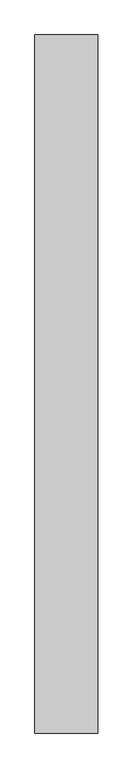
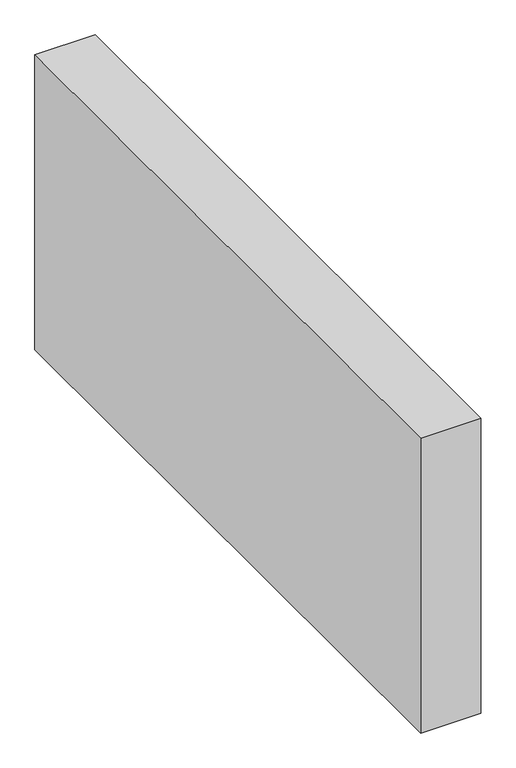
"""IFC4 building model written with IfcOpenShell, lengths in millimetres: proxy geometry."""

from ifc_helpers import new_model, si_unit, origin, origin_with_axes, place, context, project, spatial, polyline, outline, extrude, source, transform, mapped, element, save


def generic_models_3baf9605(model_context):
    return source(origin(), model_context, "Body", "SweptSolid", [
        extrude(outline(polyline([(150.0, 1664.9312868), (150.0, 0.0), (0.0, 0.0), (0.0, 1664.9312868), (150.0, 1664.9312868)])), origin_with_axes(), (0.0, 0.0, 1.0), 776.6553396),
    ])


if __name__ == "__main__":
    model = new_model("IFC4")
    model_context = context("Model", 3, world=origin())
    ifc_project = project(units=[si_unit("LENGTHUNIT", "METRE", prefix="MILLI")], contexts=[model_context])
    site = spatial("IfcSite", under=ifc_project)
    building = spatial("IfcBuilding", under=site)
    placement = place(None, origin())
    generic_models_shape = generic_models_3baf9605(model_context)
    element("IfcBuildingElementProxy", 1, Name="Generic Models", at=placement, inside=building, context=model_context, shape_type="MappedRepresentation", body=[
        mapped(generic_models_shape, transform((0.0, 0.0, 0.0), x_axis=(1.0, 0.0, 0.0), y_axis=(0.0, 1.0, 0.0), z_axis=(0.0, 0.0, 1.0))),
    ])
    save(model, "model.ifc")
